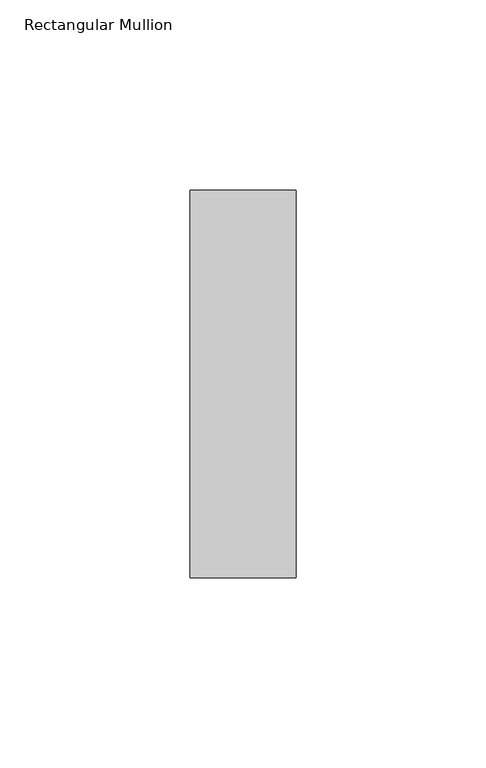
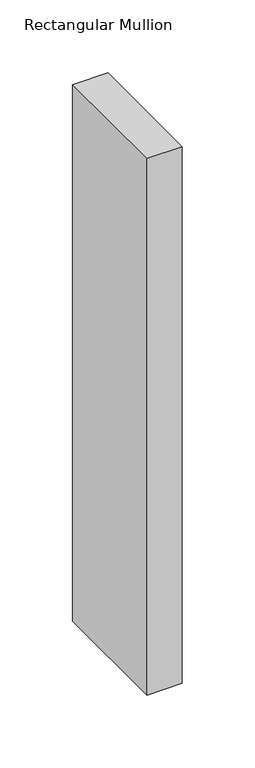
"""IFC4 building model written with IfcOpenShell, lengths in millimetres: member geometry, Rectangular Mullion."""

from ifc_helpers import new_model, si_unit, frame, origin, place, context, project, spatial, polyline, outline, extrude, source, transform, mapped, element, save


def rectangular_mullion_0eaea300(model_context):
    return source(origin(), model_context, "Body", "SweptSolid", [
        extrude(outline(polyline([(-28.0, -51.0), (-28.0, 51.0), (0.0, 51.0), (0.0, -51.0), (-28.0, -51.0)])), frame((0.0, 0.0, -450.0), z_axis=(0.0, 0.0, 1.0), x_axis=(1.0, 0.0, 0.0)), (0.0, 0.0, 1.0), 450.0),
    ])


if __name__ == "__main__":
    model = new_model("IFC4")
    model_context = context("Model", 3, world=origin())
    ifc_project = project(units=[si_unit("LENGTHUNIT", "METRE", prefix="MILLI")], contexts=[model_context])
    site = spatial("IfcSite", under=ifc_project)
    building = spatial("IfcBuilding", under=site)
    placement = place(None, origin())
    rectangular_mullion_shape = rectangular_mullion_0eaea300(model_context)
    element("IfcMember", 1, ObjectType="Rectangular Mullion", at=placement, inside=building, context=model_context, shape_type="MappedRepresentation", body=[
        mapped(rectangular_mullion_shape, transform((0.0, 0.0, 0.0), x_axis=(1.0, 0.0, 0.0), y_axis=(0.0, 1.0, 0.0), z_axis=(0.0, 0.0, 1.0))),
    ])
    save(model, "model.ifc")
